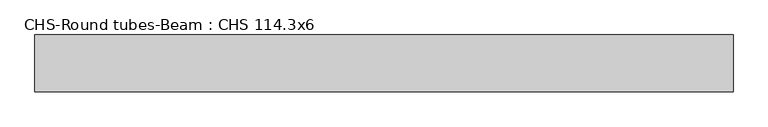
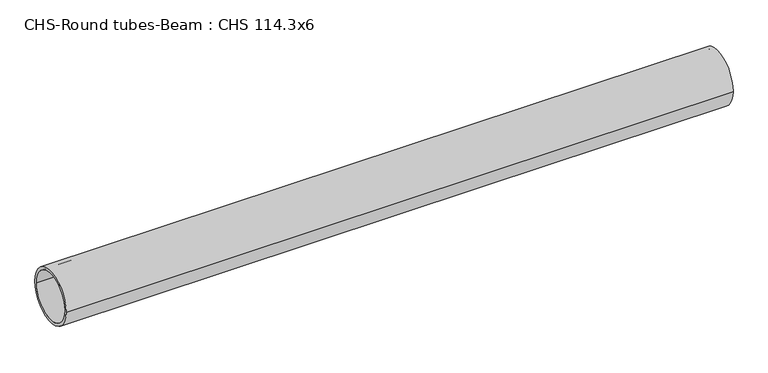
"""IFC4 building model written with IfcOpenShell, lengths in millimetres: beam geometry, CHS-Round tubes-Beam : CHS 114.3x6."""

from ifc_helpers import new_model, si_unit, point, frame, origin, origin_2d, place, context, project, spatial, circle_curve, trimmed, segment, composite_curve, outline, extrude, source, transform, mapped, element, save


def chs_round_tubes_beam_chs_114_3x6_31a41220(model_context):
    return source(origin(), model_context, "Body", "SweptSolid", [
        extrude(outline(composite_curve([segment(trimmed(circle_curve(origin_2d(), 57.15), [point((57.15, 0.0))], [point((-57.15, 0.0))], False, "CARTESIAN"), True, "CONTINUOUS"), segment(trimmed(circle_curve(origin_2d(), 57.15), [point((-57.15, 0.0))], [point((57.15, 0.0))], False, "CARTESIAN"), True, "CONTINUOUS")], self_intersect=False), holes=[composite_curve([segment(trimmed(circle_curve(origin_2d(), 51.15), [point((51.15, 0.0))], [point((-51.15, 0.0))], True, "CARTESIAN"), True, "CONTINUOUS"), segment(trimmed(circle_curve(origin_2d(), 51.15), [point((-51.15, 0.0))], [point((51.15, 0.0))], True, "CARTESIAN"), True, "CONTINUOUS")], self_intersect=False)]), frame((-702.0916147, 0.0, 0.0), z_axis=(1.0, 0.0, 0.0), x_axis=(0.0, 1.0, 0.0)), (0.0, 0.0, 1.0), 1405.10538),
    ])


if __name__ == "__main__":
    model = new_model("IFC4")
    model_context = context("Model", 3, world=origin())
    ifc_project = project(units=[si_unit("LENGTHUNIT", "METRE", prefix="MILLI")], contexts=[model_context])
    site = spatial("IfcSite", under=ifc_project)
    building = spatial("IfcBuilding", under=site)
    placement = place(None, origin())
    chs_round_tubes_beam_chs_114_3x6_shape = chs_round_tubes_beam_chs_114_3x6_31a41220(model_context)
    element("IfcBeam", 1, ObjectType="CHS-Round tubes-Beam : CHS 114.3x6", at=placement, inside=building, context=model_context, shape_type="MappedRepresentation", body=[
        mapped(chs_round_tubes_beam_chs_114_3x6_shape, transform((0.0, 0.0, 0.0), x_axis=(1.0, 0.0, 0.0), y_axis=(0.0, 1.0, 0.0), z_axis=(0.0, 0.0, 1.0))),
    ])
    save(model, "model.ifc")
